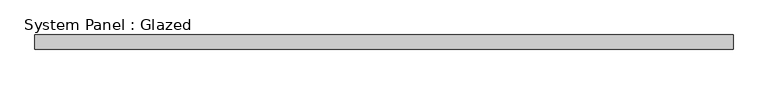
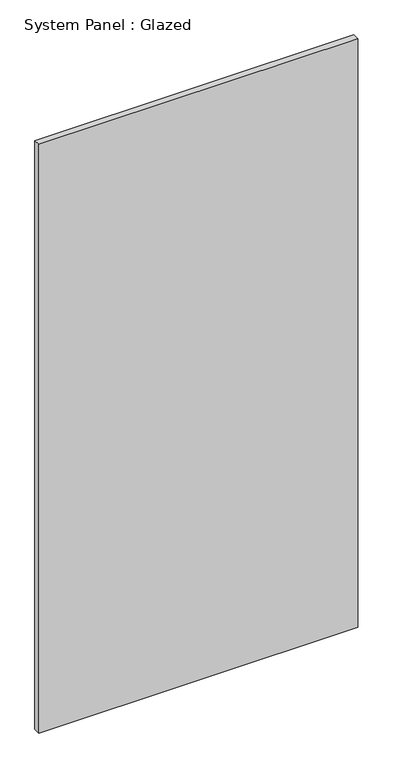
"""IFC4 building model written with IfcOpenShell, lengths in millimetres: plate geometry, System Panel : Glazed."""

from ifc_helpers import new_model, si_unit, origin, origin_with_axes, place, context, project, spatial, polyline, outline, extrude, source, transform, mapped, element, save


def system_panel_glazed_19269bbc(model_context):
    return source(origin(), model_context, "Body", "SweptSolid", [
        extrude(outline(polyline([(608.33, 19.05), (-608.33, 19.05), (-608.33, 44.45), (608.33, 44.45), (608.33, 19.05)])), origin_with_axes(), (0.0, 0.0, 1.0), 2374.9),
    ])


if __name__ == "__main__":
    model = new_model("IFC4")
    model_context = context("Model", 3, world=origin())
    ifc_project = project(units=[si_unit("LENGTHUNIT", "METRE", prefix="MILLI")], contexts=[model_context])
    site = spatial("IfcSite", under=ifc_project)
    building = spatial("IfcBuilding", under=site)
    placement = place(None, origin())
    system_panel_glazed_shape = system_panel_glazed_19269bbc(model_context)
    element("IfcPlate", 1, ObjectType="System Panel : Glazed", at=placement, inside=building, context=model_context, shape_type="MappedRepresentation", body=[
        mapped(system_panel_glazed_shape, transform((0.0, 0.0, 0.0), x_axis=(1.0, 0.0, 0.0), y_axis=(0.0, 1.0, 0.0), z_axis=(0.0, 0.0, 1.0))),
    ])
    save(model, "model.ifc")
